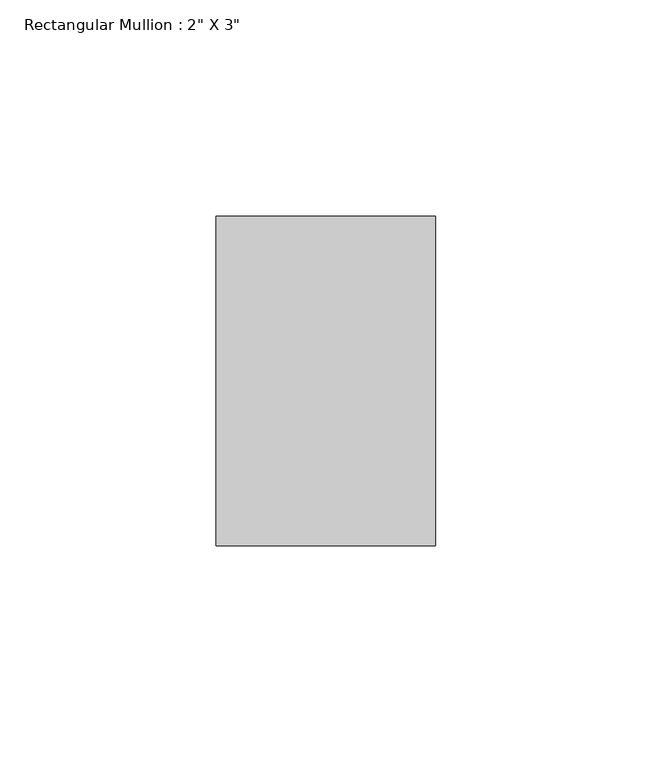
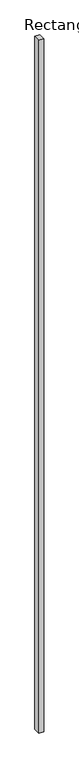
"""IFC4 building model written with IfcOpenShell, lengths in millimetres: member geometry."""

from ifc_helpers import new_model, si_unit, frame, origin, place, context, project, spatial, polyline, outline, extrude, source, transform, mapped, element, save


def member_4dd6d291(model_context):
    return source(origin(), model_context, "Body", "SweptSolid", [
        extrude(outline(polyline([(25.4, 12.7), (25.4, -63.5), (-25.4, -63.5), (-25.4, 12.7), (25.4, 12.7)])), frame((0.0, 0.0, -7950.2), z_axis=(0.0, 0.0, 1.0), x_axis=(1.0, 0.0, 0.0)), (0.0, 0.0, 1.0), 7950.2),
    ])


if __name__ == "__main__":
    model = new_model("IFC4")
    model_context = context("Model", 3, world=origin())
    ifc_project = project(units=[si_unit("LENGTHUNIT", "METRE", prefix="MILLI")], contexts=[model_context])
    site = spatial("IfcSite", under=ifc_project)
    building = spatial("IfcBuilding", under=site)
    placement = place(None, origin())
    member_shape = member_4dd6d291(model_context)
    element("IfcMember", 1, ObjectType="Rectangular Mullion : 2\" X 3\"", at=placement, inside=building, context=model_context, shape_type="MappedRepresentation", body=[
        mapped(member_shape, transform((0.0, 0.0, 0.0), x_axis=(1.0, 0.0, 0.0), y_axis=(0.0, 1.0, 0.0), z_axis=(0.0, 0.0, 1.0))),
    ])
    save(model, "model.ifc")
